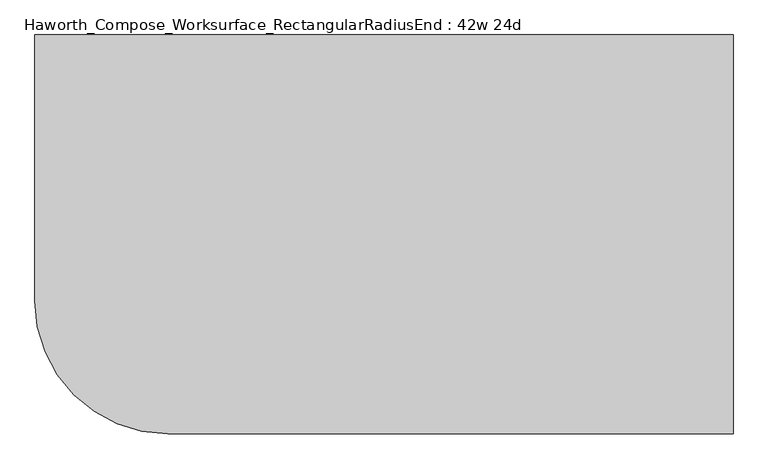
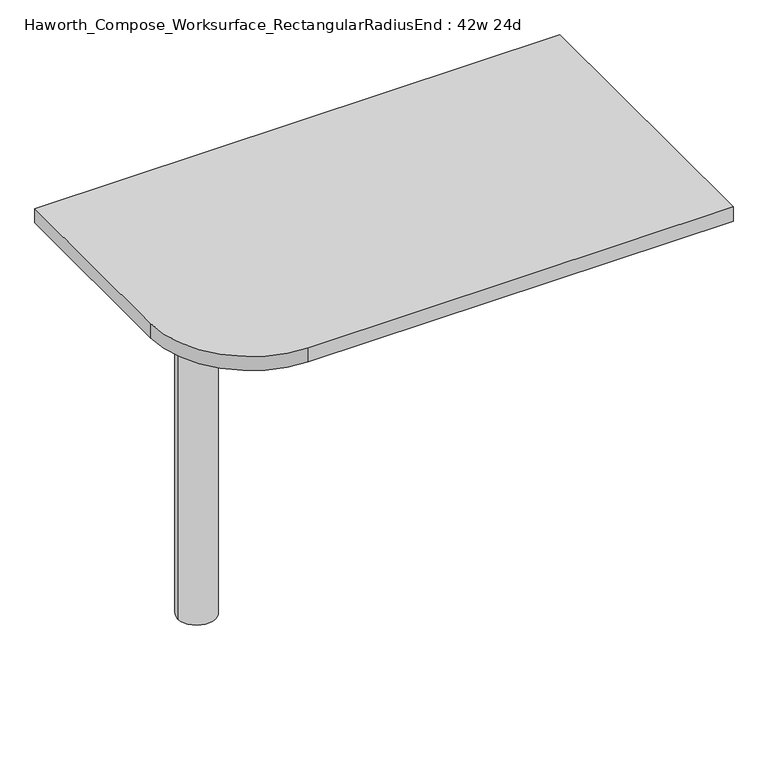
"""IFC4 building model written with IfcOpenShell, lengths in millimetres: furniture geometry, Haworth_Compose_Worksurface_RectangularRadiusEnd : 42w 24d."""

from ifc_helpers import new_model, si_unit, point, frame, frame_2d, origin, place, context, project, spatial, polyline, circle_curve, trimmed, segment, composite_curve, outline, extrude, source, transform, mapped, element, save
from ifc_brep_helpers import plane_surface, cylinder_surface, revolved_surface, advanced_brep


def haworth_compose_worksurface_rectangularradiusend_42w_24d_89853b05(model_context):
    return source(origin(), model_context, "Body", "SolidModel", [
        advanced_brep(
        [(527.84375, 304.8, 475.45625), (527.84375, 288.925, 475.45625), (527.84375, -101.6, 691.7192568), (527.84375, -101.6, 704.05625), (527.84375, 288.925, 704.05625), (527.84375, 304.8, 704.05625), (527.84375, 221.490072, 665.95625), (527.84375, 177.8355284, 665.95625), (527.84375, 175.1564235, 656.3705539), (527.84375, 266.8776173, 605.5776439), (527.84375, 276.225, 611.1756969), (527.84375, 276.225, 634.6860246), (527.84375, 274.4730055, 637.5242776), (527.84375, 224.5663437, 665.1613425), (530.225, 304.8, 475.45625), (530.225, 304.8, 704.05625), (530.225, 288.925, 704.05625), (530.225, 288.925, 706.4375), (530.225, -101.6, 706.4375), (530.225, -101.6, 691.7192568), (530.225, 288.925, 475.45625), (530.225, 221.490072, 665.95625), (530.225, 224.5663437, 665.1613425), (530.225, 274.4730055, 637.5242776), (530.225, 276.225, 634.6860246), (530.225, 276.225, 611.1756969), (530.225, 266.8776173, 605.5776439), (530.225, 175.1564235, 656.3705539), (530.225, 177.8355284, 665.95625), (488.95, -101.6, 706.4375), (488.95, -101.6, 704.05625), (488.95, 288.925, 704.05625), (488.95, 288.925, 706.4375)],
        [
            (0, 1),
            (1, 2),
            (2, 3),
            (3, 4),
            (4, 5),
            (5, 0),
            (6, 7),
            (7, 8, circle_curve(frame((527.84375, 177.8355284, 660.7890106), z_axis=(1.0, 0.0, 0.0), x_axis=(0.0, -1.0, 0.0)), 5.1672394)),
            (8, 9),
            (9, 10, circle_curve(frame((527.84375, 269.875, 611.1756969), z_axis=(1.0, 0.0, 0.0), x_axis=(0.0, -1.0, 0.0)), 6.35)),
            (10, 11),
            (11, 12, circle_curve(frame((527.84375, 273.05, 634.6860246), z_axis=(1.0, 0.0, 0.0), x_axis=(0.0, -1.0, 0.0)), 3.175)),
            (12, 13),
            (13, 6, circle_curve(frame((527.84375, 221.490072, 659.60625), z_axis=(1.0, 0.0, 0.0), x_axis=(0.0, -1.0, 0.0)), 6.35)),
            (14, 15),
            (15, 16),
            (16, 17),
            (17, 18),
            (18, 19),
            (19, 20),
            (20, 14),
            (21, 22, circle_curve(frame((530.225, 221.490072, 659.60625), z_axis=(-1.0, 0.0, 0.0), x_axis=(0.0, -1.0, 0.0)), 6.35)),
            (22, 23),
            (23, 24, circle_curve(frame((530.225, 273.05, 634.6860246), z_axis=(-1.0, 0.0, 0.0), x_axis=(0.0, -1.0, 0.0)), 3.175)),
            (24, 25),
            (25, 26, circle_curve(frame((530.225, 269.875, 611.1756969), z_axis=(-1.0, 0.0, 0.0), x_axis=(0.0, -1.0, 0.0)), 6.35)),
            (26, 27),
            (27, 28, circle_curve(frame((530.225, 177.8355284, 660.7890106), z_axis=(-1.0, 0.0, 0.0), x_axis=(0.0, -1.0, 0.0)), 5.1672394)),
            (28, 21),
            (4, 16),
            (15, 5),
            (14, 0),
            (20, 1),
            (19, 2),
            (18, 29),
            (29, 30),
            (30, 3),
            (6, 21),
            (28, 7),
            (9, 26),
            (25, 10),
            (24, 11),
            (23, 12),
            (27, 8),
            (31, 4),
            (30, 31),
            (32, 29),
            (17, 32),
            (31, 32),
            (22, 13),
        ],
        [
            plane_surface(frame((527.84375, 304.8, 475.45625), z_axis=(-1.0, 0.0, 0.0), x_axis=(0.0, 1.0, 0.0))),
            plane_surface(frame((530.225, 304.8, 475.45625), z_axis=(1.0, 0.0, 0.0), x_axis=(0.0, -1.0, 0.0))),
            plane_surface(frame((530.225, -101.6, 704.05625), z_axis=(0.0, 0.0, 1.0), x_axis=(-1.0, 0.0, 0.0))),
            plane_surface(frame((530.225, 304.8, 704.05625), z_axis=(0.0, 1.0, 0.0), x_axis=(-1.0, 0.0, 0.0))),
            plane_surface(frame((530.225, 304.8, 475.45625), z_axis=(0.0, 0.0, -1.0), x_axis=(-1.0, 0.0, 0.0))),
            plane_surface(frame((530.225, 288.925, 475.45625), z_axis=(0.0, -0.48445223513455843, -0.8748177135112952), x_axis=(-1.0, 0.0, 0.0))),
            plane_surface(frame((530.225, -101.6, 691.7192568), z_axis=(0.0, -1.0, 0.0), x_axis=(-1.0, 0.0, 0.0))),
            plane_surface(frame((530.225, 221.490072, 665.95625), z_axis=(0.0, 0.0, -1.0), x_axis=(-1.0, 0.0, 0.0))),
            revolved_surface(polyline([(527.84375, 263.525, 611.1756969), (530.225, 263.525, 611.1756969)]), (530.225, 269.875, 611.1756969), (-1.0, 0.0, 0.0)),
            plane_surface(frame((530.225, 276.225, 611.1756969), z_axis=(0.0, -1.0, 0.0), x_axis=(-1.0, 0.0, 0.0))),
            revolved_surface(polyline([(527.84375, 269.875, 634.6860246), (530.225, 269.875, 634.6860246)]), (530.225, 273.05, 634.6860246), (-1.0, 0.0, 0.0)),
            revolved_surface(polyline([(527.84375, 172.668289, 660.7890106), (530.225, 172.668289, 660.7890106)]), (530.225, 177.8355284, 660.7890106), (-1.0, 0.0, 0.0)),
            plane_surface(frame((530.225, 288.925, 704.05625), z_axis=(0.0, 0.0, -1.0), x_axis=(-1.0, 0.0, 0.0))),
            plane_surface(frame((530.225, 288.925, 706.4375), z_axis=(0.0, 0.0, 1.0), x_axis=(1.0, 0.0, 0.0))),
            plane_surface(frame((488.95, 288.925, 706.4375), z_axis=(0.0, 1.0, 0.0), x_axis=(0.0, 0.0, -1.0))),
            plane_surface(frame((488.95, -101.6, 706.4375), z_axis=(-1.0, 0.0, 0.0), x_axis=(0.0, 0.0, -1.0))),
            plane_surface(frame((530.225, 175.1564235, 656.3705539), z_axis=(0.0, 0.4844522351345583, 0.8748177135112953), x_axis=(-1.0, 0.0, 0.0))),
            plane_surface(frame((530.225, 274.4730055, 637.5242776), z_axis=(0.0, -0.4844522351345582, -0.8748177135112953), x_axis=(-1.0, 0.0, 0.0))),
            revolved_surface(polyline([(527.84375, 215.140072, 659.60625), (530.225, 215.140072, 659.60625)]), (530.225, 221.490072, 659.60625), (-1.0, 0.0, 0.0)),
        ],
        [
            (0, [[1, 2, 3, 4, 5, 6], [7, 8, 9, 10, 11, 12, 13, 14]]),
            (1, [[15, 16, 17, 18, 19, 20, 21], [22, 23, 24, 25, 26, 27, 28, 29]]),
            (2, [[-5, 30, -16, 31]]),
            (3, [[-31, -15, 32, -6]]),
            (4, [[-32, -21, 33, -1]]),
            (5, [[-33, -20, 34, -2]]),
            (6, [[-34, -19, 35, 36, 37, -3]]),
            (7, [[38, -29, 39, -7]]),
            (8, [[40, -26, 41, -10]]),
            (9, [[-41, -25, 42, -11]]),
            (10, [[-42, -24, 43, -12]]),
            (11, [[-39, -28, 44, -8]]),
            (12, [[45, -4, -37, 46]]),
            (13, [[47, -35, -18, 48]]),
            (14, [[-17, -30, -45, 49, -48]]),
            (15, [[-36, -47, -49, -46]]),
            (16, [[-44, -27, -40, -9]]),
            (17, [[-43, -23, 50, -13]]),
            (18, [[-50, -22, -38, -14]]),
        ],
    ),
        advanced_brep(
        [(-342.9, 0.0, 706.4375), (-419.1, 0.0, 706.4375), (-381.0, 0.0, 706.4375), (-342.9, 0.0, 0.0), (-419.1, 0.0, 0.0), (-381.0, 0.0, 0.0)],
        [
            (0, 1, circle_curve(frame((-381.0, 0.0, 706.4375), z_axis=(0.0, 0.0, 1.0), x_axis=(-1.0, 0.0, 0.0)), 38.1)),
            (1, 2),
            (2, 0),
            (1, 0, circle_curve(frame((-381.0, 0.0, 706.4375), z_axis=(0.0, 0.0, 1.0), x_axis=(-1.0, 0.0, 0.0)), 38.1)),
            (3, 4, circle_curve(frame((-381.0, 0.0, 0.0), z_axis=(0.0, 0.0, 1.0), x_axis=(-1.0, 0.0, 0.0)), 38.1)),
            (4, 1),
            (0, 3),
            (4, 3, circle_curve(frame((-381.0, 0.0, 0.0), z_axis=(0.0, 0.0, 1.0), x_axis=(-1.0, 0.0, 0.0)), 38.1)),
            (5, 4),
            (3, 5),
        ],
        [
            plane_surface(frame((-381.0, 0.0, 706.4375), z_axis=(0.0, 0.0, 1.0), x_axis=(-1.0, 0.0, 0.0))),
            cylinder_surface(frame((-381.0, 0.0, 889.623257), z_axis=(0.0, 0.0, -1.0), x_axis=(-1.0, 0.0, 0.0)), 38.1),
            plane_surface(frame((-381.0, 0.0, 0.0), z_axis=(0.0, 0.0, -1.0), x_axis=(-1.0, 0.0, 0.0))),
        ],
        [
            (0, [[1, 2, 3]]),
            (0, [[4, -3, -2]]),
            (1, [[5, 6, -1, 7]]),
            (1, [[8, -7, -4, -6]]),
            (2, [[9, -5, 10]]),
            (2, [[-10, -8, -9]]),
        ],
    ),
        extrude(outline(composite_curve([segment(polyline([(533.4, 304.8), (533.4, -304.8), (-330.2, -304.8)]), True, "CONTINUOUS"), segment(trimmed(circle_curve(frame_2d((-330.2, -101.6)), 203.2), [point((-330.2, -304.8))], [point((-533.4, -101.6))], False, "CARTESIAN"), True, "CONTINUOUS"), segment(polyline([(-533.4, -101.6), (-533.4, 304.8), (533.4, 304.8)]), True, "CONTINUOUS")], self_intersect=False)), frame((0.0, 0.0, 706.4375), z_axis=(0.0, 0.0, 1.0), x_axis=(1.0, 0.0, 0.0)), (0.0, 0.0, 1.0), 30.1625),
    ])


if __name__ == "__main__":
    model = new_model("IFC4")
    model_context = context("Model", 3, world=origin())
    ifc_project = project(units=[si_unit("LENGTHUNIT", "METRE", prefix="MILLI")], contexts=[model_context])
    site = spatial("IfcSite", under=ifc_project)
    building = spatial("IfcBuilding", under=site)
    placement = place(None, origin())
    haworth_compose_worksurface_rectangularradiusend_42w_24d_shape = haworth_compose_worksurface_rectangularradiusend_42w_24d_89853b05(model_context)
    element("IfcFurniture", 1, ObjectType="Haworth_Compose_Worksurface_RectangularRadiusEnd : 42w 24d", at=placement, inside=building, context=model_context, shape_type="MappedRepresentation", body=[
        mapped(haworth_compose_worksurface_rectangularradiusend_42w_24d_shape, transform((0.0, 0.0, 0.0), x_axis=(1.0, 0.0, 0.0), y_axis=(0.0, 1.0, 0.0), z_axis=(0.0, 0.0, 1.0))),
    ])
    save(model, "model.ifc")
